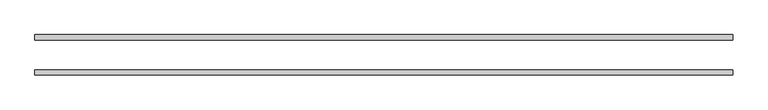
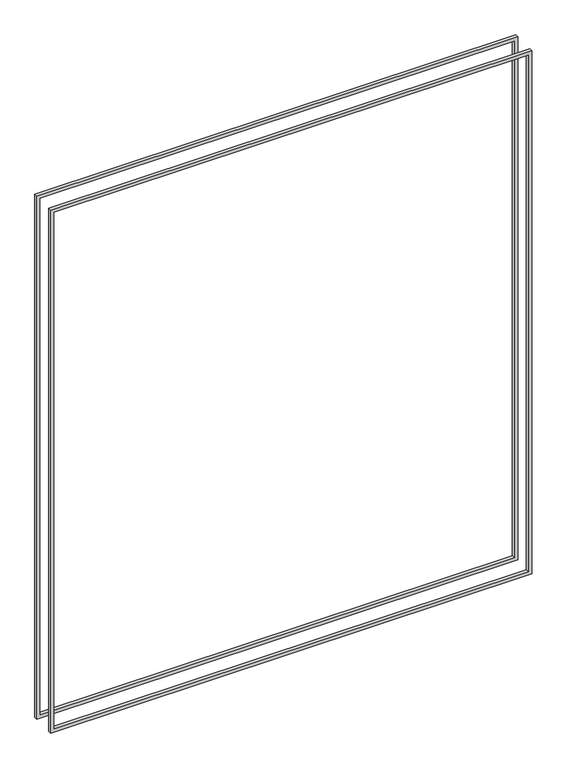
"""IFC4 building model written with IfcOpenShell, lengths in millimetres: proxy geometry."""

from ifc_helpers import new_model, si_unit, frame, origin, place, context, project, spatial, polyline, outline, extrude, source, transform, mapped, element, save


def generic_models_a6b7a25c(model_context):
    return source(origin(), model_context, "Body", "SweptSolid", [
        extrude(outline(polyline([(2392.3625, -649.2875), (26.9875, -649.2875), (26.9875, 1409.7), (2392.3625, 1409.7), (2392.3625, -649.2875)]), holes=[polyline([(2378.075, 1395.4125), (41.275, 1395.4125), (41.275, -635.0), (2378.075, -635.0), (2378.075, 1395.4125)])]), frame((0.0, -59.53125, 0.0), z_axis=(0.0, 1.0, 0.0), x_axis=(0.0, 0.0, 1.0)), (0.0, 0.0, 1.0), 15.08125),
        extrude(outline(polyline([(26.9875, 1409.7), (2392.3625, 1409.7), (2392.3625, -649.2875), (26.9875, -649.2875), (26.9875, 1409.7)]), holes=[polyline([(41.275, -635.0), (2378.075, -635.0), (2378.075, 1395.4125), (41.275, 1395.4125), (41.275, -635.0)])]), frame((0.0, 44.45, 0.0), z_axis=(0.0, 1.0, 0.0), x_axis=(0.0, 0.0, 1.0)), (0.0, 0.0, 1.0), 15.08125),
    ])


if __name__ == "__main__":
    model = new_model("IFC4")
    model_context = context("Model", 3, world=origin())
    ifc_project = project(units=[si_unit("LENGTHUNIT", "METRE", prefix="MILLI")], contexts=[model_context])
    site = spatial("IfcSite", under=ifc_project)
    building = spatial("IfcBuilding", under=site)
    placement = place(None, origin())
    generic_models_shape = generic_models_a6b7a25c(model_context)
    element("IfcBuildingElementProxy", 1, Name="Generic Models", at=placement, inside=building, context=model_context, shape_type="MappedRepresentation", body=[
        mapped(generic_models_shape, transform((0.0, 0.0, 0.0), x_axis=(1.0, 0.0, 0.0), y_axis=(0.0, 1.0, 0.0), z_axis=(0.0, 0.0, 1.0))),
    ])
    save(model, "model.ifc")
